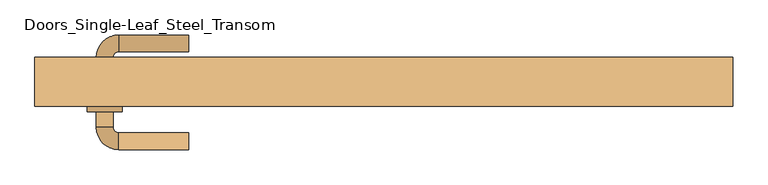
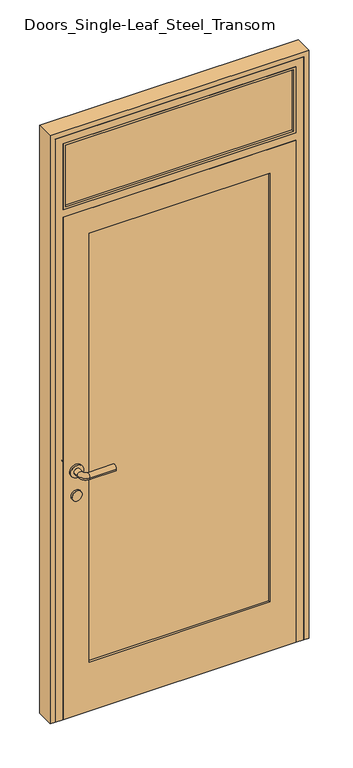
"""IFC4 building model written with IfcOpenShell, lengths in millimetres: door geometry, Doors_Single-Leaf_Steel_Transom."""

import ifcopenshell
import ifcopenshell.guid

model = None  # the IFC model being written
_history = None  # IfcOwnerHistory: only IFC2X3 demands one
_inside = {}  # id of a spatial element -> (the spatial element, [elements in it])
_under = {}  # id of a project, library or spatial element -> (it, [spatial elements below it])
_declared = {}  # id of a project -> (the project, [libraries it declares])
_typed = {}  # id of a type object -> (the type object, [elements of that type])
_made_of = {}  # id of a material, layer set ... -> (it, [elements and type objects made of it])


def new_model(schema):
    """Start an empty IFC model of exactly this schema.

    Asked for "IFC4X3", IfcOpenShell would pick the latest addendum, in which some entities
    have other attributes; the version numbers below select the first issue.
    IFC2X3 requires an IfcOwnerHistory on every rooted entity: one is made here for all.
    """
    global model, _history
    if schema == "IFC4X3":
        model = ifcopenshell.file(schema_version=(4, 3, 0, 0))
    else:
        model = ifcopenshell.file(schema=schema)
    _inside.clear()
    _under.clear()
    _declared.clear()
    _typed.clear()
    _made_of.clear()
    _history = None
    if model.schema == "IFC2X3":
        org = make("IfcOrganization", Name="unknown")
        user = make(
            "IfcPersonAndOrganization",
            ThePerson=make("IfcPerson", FamilyName="unknown"),
            TheOrganization=org,
        )
        app = make(
            "IfcApplication",
            ApplicationDeveloper=org,
            Version="unknown",
            ApplicationFullName="unknown",
            ApplicationIdentifier="unknown",
        )
        _history = make(
            "IfcOwnerHistory",
            OwningUser=user,
            OwningApplication=app,
            ChangeAction="ADDED",
            CreationDate=0,
        )
    return model


def make(cls, **values):
    """One entity of the class cls with the attributes given. An attribute that is None is left unset."""
    return model.create_entity(
        cls, **{name: value for name, value in values.items() if value is not None}
    )


def rooted(cls, **values):
    """An entity with a GlobalId (a new one), such as an element, a storey or a relation."""
    return make(cls, GlobalId=ifcopenshell.guid.new(), OwnerHistory=_history, **values)


def si_unit(unit_type, name, prefix=None):
    """IfcSIUnit, for example si_unit("LENGTHUNIT", "METRE", prefix="MILLI")."""
    return make("IfcSIUnit", UnitType=unit_type, Prefix=prefix, Name=name)


def assignment(units):
    """IfcUnitAssignment: the units of a project."""
    return None if units is None else make("IfcUnitAssignment", Units=units)


def point(xyz):
    """IfcCartesianPoint."""
    return None if xyz is None else make("IfcCartesianPoint", Coordinates=xyz)


def direction(xyz):
    """IfcDirection."""
    return None if xyz is None else make("IfcDirection", DirectionRatios=xyz)


def frame(location, z_axis=None, x_axis=None):
    """IfcAxis2Placement3D, a coordinate frame: its origin and axes. An axis left out is left unset."""
    return make(
        "IfcAxis2Placement3D",
        Location=point(location),
        Axis=direction(z_axis),
        RefDirection=direction(x_axis),
    )


def frame_2d(location, x_axis=None):
    """IfcAxis2Placement2D, a coordinate frame in the plane: its origin and x axis."""
    return make(
        "IfcAxis2Placement2D", Location=point(location), RefDirection=direction(x_axis)
    )


def origin():
    """The frame at (0, 0, 0) with its axes left unset."""
    return frame((0.0, 0.0, 0.0))


def place(relative_to, where):
    """IfcLocalPlacement: puts the frame where relative to a parent placement (None: the world)."""
    return make(
        "IfcLocalPlacement", PlacementRelTo=relative_to, RelativePlacement=where
    )


def context(
    kind, dimensions, precision=None, world=None, true_north=None, identifier=None
):
    """IfcGeometricRepresentationContext, for example the 3D "Model" context."""
    return make(
        "IfcGeometricRepresentationContext",
        ContextIdentifier=identifier,
        ContextType=kind,
        CoordinateSpaceDimension=dimensions,
        Precision=precision,
        WorldCoordinateSystem=world,
        TrueNorth=true_north,
    )


def project(units=None, contexts=None):
    """IfcProject with its units and contexts."""
    return rooted(
        "IfcProject",
        Name="project",
        RepresentationContexts=contexts,
        UnitsInContext=assignment(units),
    )


def spatial(cls, under=None, at=None, **own):
    """A site, building, storey or space (cls), placed at a placement, below another one or the project."""
    s = rooted(cls, ObjectPlacement=at, **own)
    if under is not None:
        _under.setdefault(under.id(), (under, []))[1].append(s)
    return s


def polyline(points):
    """IfcPolyline through the points."""
    return make("IfcPolyline", Points=[point(p) for p in points])


def circle_curve(where, radius):
    """IfcCircle in the frame where."""
    return make("IfcCircle", Position=where, Radius=radius)


def ellipse_curve(where, semi_axis1, semi_axis2):
    """IfcEllipse in the frame where."""
    return make(
        "IfcEllipse", Position=where, SemiAxis1=semi_axis1, SemiAxis2=semi_axis2
    )


def trimmed(basis, trim1, trim2, sense, master):
    """IfcTrimmedCurve: the piece of a basis curve between two trims."""
    return make(
        "IfcTrimmedCurve",
        BasisCurve=basis,
        Trim1=trim1,
        Trim2=trim2,
        SenseAgreement=sense,
        MasterRepresentation=master,
    )


def segment(curve, same_sense, transition):
    """IfcCompositeCurveSegment."""
    return make(
        "IfcCompositeCurveSegment",
        Transition=transition,
        SameSense=same_sense,
        ParentCurve=curve,
    )


def composite_curve(segments, self_intersect=None):
    """IfcCompositeCurve: segments joined end to end."""
    return make("IfcCompositeCurve", Segments=segments, SelfIntersect=self_intersect)


def outline(outer, holes=None, kind="AREA"):
    """IfcArbitraryClosedProfileDef: a profile drawn as a closed curve; with holes, ...WithVoids."""
    if holes is None:
        return make("IfcArbitraryClosedProfileDef", ProfileType=kind, OuterCurve=outer)
    return make(
        "IfcArbitraryProfileDefWithVoids",
        ProfileType=kind,
        OuterCurve=outer,
        InnerCurves=holes,
    )


def extrude(swept, where, along, depth):
    """IfcExtrudedAreaSolid: the profile swept, set in the frame where, extruded along a direction by depth."""
    return make(
        "IfcExtrudedAreaSolid",
        SweptArea=swept,
        Position=where,
        ExtrudedDirection=direction(along),
        Depth=depth,
    )


def faces_of(points, faces, orient=None, outer=None):
    """IfcFace entities. A face is a list of loops; a loop is a list of indices into points, from 0.

    orient and outer hold one flag for each loop. By default every Orientation is true, the
    first loop of a face is its IfcFaceOuterBound and the others are IfcFaceBound.
    """
    made = []
    for i, loops in enumerate(faces):
        bounds = []
        for j, loop in enumerate(loops):
            is_outer = j == 0 if outer is None else outer[i][j]
            bounds.append(
                make(
                    "IfcFaceOuterBound" if is_outer else "IfcFaceBound",
                    Bound=make("IfcPolyLoop", Polygon=[points[k] for k in loop]),
                    Orientation=True if orient is None else orient[i][j],
                )
            )
        made.append(make("IfcFace", Bounds=bounds))
    return made


def faceted_brep(points, faces, orient=None, outer=None, voids=None):
    """IfcFacetedBrep: a solid bounded by flat faces; with voids (closed shells), ...WithVoids."""
    shared = [point(p) for p in points]
    hull = make("IfcClosedShell", CfsFaces=faces_of(shared, faces, orient, outer))
    if voids is None:
        return make("IfcFacetedBrep", Outer=hull)
    return make(
        "IfcFacetedBrepWithVoids",
        Outer=hull,
        Voids=[
            make(cls, CfsFaces=faces_of(shared, fs, o, b)) for cls, fs, o, b in voids
        ],
    )


def shape(context_of_items, identifier, shape_type, items):
    """IfcShapeRepresentation: the items that make up one representation, for example the "Body"."""
    return make(
        "IfcShapeRepresentation",
        ContextOfItems=context_of_items,
        RepresentationIdentifier=identifier,
        RepresentationType=shape_type,
        Items=items,
    )


def source(mapping_origin, context_of_items, identifier, shape_type, items):
    """IfcRepresentationMap: a shape defined once, which mapped items show again and again."""
    return make(
        "IfcRepresentationMap",
        MappingOrigin=mapping_origin,
        MappedRepresentation=shape(context_of_items, identifier, shape_type, items),
    )


def transform(
    local_origin,
    x_axis=None,
    y_axis=None,
    z_axis=None,
    scale=None,
    scale2=None,
    scale3=None,
    uniform=True,
):
    """IfcCartesianTransformationOperator3D, or its non-uniform kind. x_axis, y_axis, z_axis: its Axis1, 2, 3."""
    if uniform:
        return make(
            "IfcCartesianTransformationOperator3D",
            Axis1=direction(x_axis),
            Axis2=direction(y_axis),
            LocalOrigin=point(local_origin),
            Scale=scale,
            Axis3=direction(z_axis),
        )
    return make(
        "IfcCartesianTransformationOperator3DnonUniform",
        Axis1=direction(x_axis),
        Axis2=direction(y_axis),
        LocalOrigin=point(local_origin),
        Scale=scale,
        Axis3=direction(z_axis),
        Scale2=scale2,
        Scale3=scale3,
    )


def mapped(mapping_source, mapping_target):
    """IfcMappedItem: shows the shape of a source again, moved by a transform."""
    return make(
        "IfcMappedItem", MappingSource=mapping_source, MappingTarget=mapping_target
    )


def made_of(thing, what):
    """Note that an element or type object is made of a material, layer set ...; save() writes the relation."""
    if what is not None:
        _made_of.setdefault(what.id(), (what, []))[1].append(thing)
    return thing


def element(
    cls,
    number,
    at=None,
    inside=None,
    cuts=None,
    type_object=None,
    material=None,
    context=None,
    identifier="Body",
    shape_type=None,
    held_by="IfcProductDefinitionShape",
    body=None,
    shapes=None,
    **own,
):
    """One element of the class cls, such as IfcWall. Its Tag is "e" and its number.

    at: its placement. inside: the storey or other place that contains it. cuts: it is an
    opening in that element (IfcRelVoidsElement). A single representation is given by context,
    identifier, shape_type and body (its items); several are given by shapes. held_by: the class
    of the entity that holds the representations. save() writes the other relations.
    """
    e = rooted(cls, Tag="e%d" % number, ObjectPlacement=at, **own)
    if body is not None:
        shapes = [shape(context, identifier, shape_type, body)]
    if shapes is not None:
        e.Representation = make(held_by, Representations=shapes)
    if inside is not None:
        _inside.setdefault(inside.id(), (inside, []))[1].append(e)
    if cuts is not None:
        rooted(
            "IfcRelVoidsElement", RelatingBuildingElement=cuts, RelatedOpeningElement=e
        )
    if type_object is not None:
        _typed.setdefault(type_object.id(), (type_object, []))[1].append(e)
    return made_of(e, material)


def aggregate(whole, parts):
    """IfcRelAggregates: a whole, such as a stair, and the parts it consists of."""
    return rooted("IfcRelAggregates", RelatingObject=whole, RelatedObjects=parts)


def save(model, path):
    """Write the relations noted so far, then the file.

    IfcRelAggregates (storeys below a building ...), IfcRelContainedInSpatialStructure (elements
    in a storey), IfcRelDefinesByType, IfcRelAssociatesMaterial and IfcRelDeclares: one each for
    every whole, place, type object, material and project.
    """
    for whole, parts in _under.values():
        aggregate(whole, parts)
    for where, things in _inside.values():
        rooted(
            "IfcRelContainedInSpatialStructure",
            RelatedElements=things,
            RelatingStructure=where,
        )
    for kind, things in _typed.values():
        rooted("IfcRelDefinesByType", RelatedObjects=things, RelatingType=kind)
    for what, things in _made_of.values():
        rooted("IfcRelAssociatesMaterial", RelatedObjects=things, RelatingMaterial=what)
    for by, libraries in _declared.values():
        rooted("IfcRelDeclares", RelatingContext=by, RelatedDefinitions=libraries)
    model.write(path)


def plane_surface(at):
    """IfcPlane: the flat surface through the origin of the frame at, square to its z axis."""
    return make("IfcPlane", Position=at)


def cylinder_surface(at, radius):
    """IfcCylindricalSurface: all points at the distance radius from the z axis of the frame at."""
    return make("IfcCylindricalSurface", Position=at, Radius=radius)


def revolved_surface(curve, axis_point, axis_direction):
    """IfcSurfaceOfRevolution: the curve turned about the line through axis_point along axis_direction."""
    return make(
        "IfcSurfaceOfRevolution",
        SweptCurve=make("IfcArbitraryOpenProfileDef", ProfileType="CURVE", Curve=curve),
        AxisPosition=make("IfcAxis1Placement", Location=point(axis_point), Axis=direction(axis_direction)),
    )


def advanced_brep(points, edges, surfaces, faces):
    """IfcAdvancedBrep: a solid bounded by faces that lie on surfaces and meet in shared edges.

    An edge is (start, end): straight between two places in points (the first is 0);
    or (start, end, curve); or (start, end, curve, False) where it runs against its curve.
    A face is (place in surfaces, loops), or (place, loops, False) where it looks against
    its surface's normal. A loop lists edges by number (the first is 1), with a minus sign
    where the edge is run from its end to its start. The first loop is the outer one.
    """
    corners = [point(p) for p in points]
    vertices = [make("IfcVertexPoint", VertexGeometry=c) for c in corners]
    made = []
    for start, end, *more in edges:
        made.append(
            make(
                "IfcEdgeCurve",
                EdgeStart=vertices[start],
                EdgeEnd=vertices[end],
                EdgeGeometry=more[0] if more else make("IfcPolyline", Points=[corners[start], corners[end]]),
                SameSense=more[1] if len(more) > 1 else True,
            )
        )
    hull = []
    for where, loops, *sense in faces:
        bounds = []
        for j, loop in enumerate(loops):
            ring = [make("IfcOrientedEdge", EdgeElement=made[abs(k) - 1], Orientation=k > 0) for k in loop]
            bounds.append(
                make(
                    "IfcFaceOuterBound" if j == 0 else "IfcFaceBound",
                    Bound=make("IfcEdgeLoop", EdgeList=ring),
                    Orientation=True,
                )
            )
        hull.append(make("IfcAdvancedFace", Bounds=bounds, FaceSurface=surfaces[where], SameSense=sense[0] if sense else True))
    return make("IfcAdvancedBrep", Outer=make("IfcClosedShell", CfsFaces=hull))


def doors_single_leaf_steel_transom_667197a2(model_context):
    return source(origin(), model_context, "Body", "SolidModel", [
        extrude(outline(polyline([(2080.0, -450.0), (2080.0, 450.0), (2350.0, 450.0), (2350.0, -450.0), (2080.0, -450.0)]), holes=[polyline([(2090.0, 440.0), (2090.0, -440.0), (2340.0, -440.0), (2340.0, 440.0), (2090.0, 440.0)])]), frame((0.0, -50.0, 0.0), z_axis=(0.0, 1.0, 0.0), x_axis=(0.0, 0.0, 1.0)), (0.0, 0.0, 1.0), 40.0),
        extrude(outline(polyline([(-440.0, -42.0), (-440.0, -18.0), (440.0, -18.0), (440.0, -42.0), (-440.0, -42.0)])), frame((0.0, 0.0, 2090.0), z_axis=(0.0, 0.0, 1.0), x_axis=(1.0, 0.0, 0.0)), (0.0, 0.0, 1.0), 250.0),
        extrude(outline(composite_curve([segment(trimmed(circle_curve(frame_2d((900.0, -400.0)), 20.0), [point((900.0, -420.0))], [point((900.0, -380.0))], False, "CARTESIAN"), True, "CONTINUOUS"), segment(trimmed(circle_curve(frame_2d((900.0, -400.0)), 20.0), [point((900.0, -380.0))], [point((900.0, -420.0))], False, "CARTESIAN"), True, "CONTINUOUS")], self_intersect=False)), frame((0.0, -58.0, 0.0), z_axis=(0.0, 1.0, 0.0), x_axis=(0.0, 0.0, 1.0)), (0.0, 0.0, 1.0), 8.0),
        extrude(outline(composite_curve([segment(trimmed(circle_curve(frame_2d((900.0, -400.0)), 20.0), [point((900.0, -380.0))], [point((900.0, -420.0))], False, "CARTESIAN"), True, "CONTINUOUS"), segment(trimmed(circle_curve(frame_2d((900.0, -400.0)), 20.0), [point((900.0, -420.0))], [point((900.0, -380.0))], False, "CARTESIAN"), True, "CONTINUOUS")], self_intersect=False)), frame((0.0, -10.0, 0.0), z_axis=(0.0, 1.0, 0.0), x_axis=(0.0, 0.0, 1.0)), (0.0, 0.0, 1.0), 8.0),
        advanced_brep(
        [(-280.0, -112.0, 1000.0), (-280.0, -88.0, 1000.0), (-380.0, -88.0, 1000.0), (-380.0, -112.0, 1000.0), (-388.0, -80.0, 1000.0), (-412.0, -80.0, 1000.0), (-388.0, -58.0, 1000.0), (-412.0, -58.0, 1000.0), (-425.0, -58.0, 1000.0), (-375.0, -58.0, 1000.0), (-425.0, -50.0, 1000.0), (-375.0, -50.0, 1000.0)],
        [
            (0, 1, circle_curve(frame((-280.0, -100.0, 1000.0), z_axis=(1.0, 0.0, 0.0), x_axis=(0.0, 1.0, 0.0)), 12.0)),
            (1, 0, circle_curve(frame((-280.0, -100.0, 1000.0), z_axis=(1.0, 0.0, 0.0), x_axis=(0.0, 1.0, 0.0)), 12.0)),
            (1, 2),
            (2, 3, circle_curve(frame((-380.0, -100.0, 1000.0), z_axis=(1.0, 0.0, 0.0), x_axis=(0.0, 1.0, 0.0)), 12.0)),
            (3, 0),
            (3, 2, circle_curve(frame((-380.0, -100.0, 1000.0), z_axis=(1.0, 0.0, 0.0), x_axis=(0.0, 1.0, 0.0)), 12.0)),
            (2, 4, circle_curve(frame((-380.0, -80.0, 1000.0), z_axis=(0.0, 0.0, -1.0), x_axis=(0.0, -1.0, 0.0)), 8.0)),
            (4, 5, circle_curve(frame((-400.0, -80.0, 1000.0), z_axis=(0.0, -1.0, 0.0), x_axis=(1.0, 0.0, 0.0)), 12.0)),
            (5, 3, circle_curve(frame((-380.0, -80.0, 1000.0), z_axis=(0.0, 0.0, 1.0), x_axis=(0.0, -1.0, 0.0)), 32.0)),
            (5, 4, circle_curve(frame((-400.0, -80.0, 1000.0), z_axis=(0.0, -1.0, 0.0), x_axis=(1.0, 0.0, 0.0)), 12.0)),
            (4, 6),
            (6, 7, circle_curve(frame((-400.0, -58.0, 1000.0), z_axis=(0.0, -1.0, 0.0), x_axis=(1.0, 0.0, 0.0)), 12.0)),
            (7, 5),
            (7, 6, circle_curve(frame((-400.0, -58.0, 1000.0), z_axis=(0.0, -1.0, 0.0), x_axis=(1.0, 0.0, 0.0)), 12.0)),
            (8, 9, circle_curve(frame((-400.0, -58.0, 1000.0), z_axis=(0.0, -1.0, 0.0), x_axis=(1.0, 0.0, 0.0)), 25.0)),
            (9, 8, circle_curve(frame((-400.0, -58.0, 1000.0), z_axis=(0.0, -1.0, 0.0), x_axis=(1.0, 0.0, 0.0)), 25.0)),
            (8, 10),
            (10, 11, circle_curve(frame((-400.0, -50.0, 1000.0), z_axis=(0.0, -1.0, 0.0), x_axis=(1.0, 0.0, 0.0)), 25.0)),
            (11, 9),
            (11, 10, circle_curve(frame((-400.0, -50.0, 1000.0), z_axis=(0.0, -1.0, 0.0), x_axis=(1.0, 0.0, 0.0)), 25.0)),
        ],
        [
            plane_surface(frame((-280.0, -100.0, 1000.0), z_axis=(1.0, 0.0, 0.0), x_axis=(0.0, 0.0, 1.0))),
            cylinder_surface(frame((-280.0, -100.0, 1000.0), z_axis=(1.0, 0.0, 0.0), x_axis=(0.0, 1.0, 0.0)), 12.0),
            revolved_surface(trimmed(ellipse_curve(frame((-380.0, -100.0, 1000.0), z_axis=(-1.0, 0.0, 0.0), x_axis=(0.0, 1.0, 0.0)), 12.0, 12.0), [point((-380.0, -112.0, 1000.0))], [point((-380.0, -88.0, 1000.0))], True, "CARTESIAN"), (-380.0, -80.0, 1000.0), (0.0, 0.0, 1.0)),
            revolved_surface(trimmed(ellipse_curve(frame((-380.0, -100.0, 1000.0), z_axis=(-1.0, 0.0, 0.0), x_axis=(0.0, 1.0, 0.0)), 12.0, 12.0), [point((-380.0, -88.0, 1000.0))], [point((-380.0, -112.0, 1000.0))], True, "CARTESIAN"), (-380.0, -80.0, 1000.0), (0.0, 0.0, 1.0)),
            cylinder_surface(frame((-400.0, -80.0, 1000.0), z_axis=(0.0, -1.0, 0.0), x_axis=(1.0, 0.0, 0.0)), 12.0),
            plane_surface(frame((-375.0, -58.0, 1000.0), z_axis=(0.0, -1.0, 0.0), x_axis=(0.0, 0.0, -1.0))),
            cylinder_surface(frame((-400.0, -58.0, 1000.0), z_axis=(0.0, 1.0, 0.0), x_axis=(1.0, 0.0, 0.0)), 25.0),
            plane_surface(frame((-330.0, -50.0, 1200.0), z_axis=(0.0, 1.0, 0.0), x_axis=(0.0, 0.0, -1.0))),
        ],
        [
            (0, [[1, 2]]),
            (1, [[3, 4, 5, -2]]),
            (1, [[-5, 6, -3, -1]]),
            (2, [[7, 8, 9, -4]]),
            (3, [[-9, 10, -7, -6]]),
            (4, [[11, 12, 13, -8]]),
            (4, [[-13, 14, -11, -10]]),
            (5, [[15, 16], [-14, -12]]),
            (6, [[17, 18, 19, -15]]),
            (6, [[-19, 20, -17, -16]]),
            (7, [[-20, -18]]),
        ],
    ),
        advanced_brep(
        [(-412.0, 20.0, 1000.0), (-412.0, -2.0, 1000.0), (-388.0, -2.0, 1000.0), (-388.0, 20.0, 1000.0), (-380.0, 28.0, 1000.0), (-380.0, 52.0, 1000.0), (-280.0, 52.0, 1000.0), (-280.0, 28.0, 1000.0), (-425.0, -2.0, 1000.0), (-375.0, -2.0, 1000.0), (-375.0, -10.0, 1000.0), (-425.0, -10.0, 1000.0)],
        [
            (0, 1),
            (1, 2, circle_curve(frame((-400.0, -2.0, 1000.0), z_axis=(0.0, 1.0, 0.0), x_axis=(1.0, 0.0, 0.0)), 12.0)),
            (2, 3),
            (3, 0, circle_curve(frame((-400.0, 20.0, 1000.0), z_axis=(0.0, -1.0, 0.0), x_axis=(1.0, 0.0, 0.0)), 12.0)),
            (2, 1, circle_curve(frame((-400.0, -2.0, 1000.0), z_axis=(0.0, 1.0, 0.0), x_axis=(1.0, 0.0, 0.0)), 12.0)),
            (0, 3, circle_curve(frame((-400.0, 20.0, 1000.0), z_axis=(0.0, -1.0, 0.0), x_axis=(1.0, 0.0, 0.0)), 12.0)),
            (3, 4, circle_curve(frame((-380.0, 20.0, 1000.0), z_axis=(0.0, 0.0, -1.0), x_axis=(-1.0, 0.0, 0.0)), 8.0)),
            (4, 5, circle_curve(frame((-380.0, 40.0, 1000.0), z_axis=(-1.0, 0.0, 0.0), x_axis=(0.0, -1.0, 0.0)), 12.0)),
            (5, 0, circle_curve(frame((-380.0, 20.0, 1000.0), z_axis=(0.0, 0.0, 1.0), x_axis=(-1.0, 0.0, 0.0)), 32.0)),
            (5, 4, circle_curve(frame((-380.0, 40.0, 1000.0), z_axis=(-1.0, 0.0, 0.0), x_axis=(0.0, -1.0, 0.0)), 12.0)),
            (6, 7, circle_curve(frame((-280.0, 40.0, 1000.0), z_axis=(1.0, 0.0, 0.0), x_axis=(0.0, -1.0, 0.0)), 12.0)),
            (7, 6, circle_curve(frame((-280.0, 40.0, 1000.0), z_axis=(1.0, 0.0, 0.0), x_axis=(0.0, -1.0, 0.0)), 12.0)),
            (4, 7),
            (6, 5),
            (8, 9, circle_curve(frame((-400.0, -2.0, 1000.0), z_axis=(0.0, 1.0, 0.0), x_axis=(1.0, 0.0, 0.0)), 25.0)),
            (9, 8, circle_curve(frame((-400.0, -2.0, 1000.0), z_axis=(0.0, 1.0, 0.0), x_axis=(1.0, 0.0, 0.0)), 25.0)),
            (9, 10),
            (10, 11, circle_curve(frame((-400.0, -10.0, 1000.0), z_axis=(0.0, 1.0, 0.0), x_axis=(1.0, 0.0, 0.0)), 25.0)),
            (11, 8),
            (11, 10, circle_curve(frame((-400.0, -10.0, 1000.0), z_axis=(0.0, 1.0, 0.0), x_axis=(1.0, 0.0, 0.0)), 25.0)),
        ],
        [
            cylinder_surface(frame((-400.0, -80.0, 1000.0), z_axis=(0.0, -1.0, 0.0), x_axis=(1.0, 0.0, 0.0)), 12.0),
            revolved_surface(trimmed(ellipse_curve(frame((-400.0, 20.0, 1000.0), z_axis=(0.0, 1.0, 0.0), x_axis=(1.0, 0.0, 0.0)), 12.0, 12.0), [point((-412.0, 20.0, 1000.0))], [point((-388.0, 20.0, 1000.0))], True, "CARTESIAN"), (-380.0, 20.0, 1000.0), (0.0, 0.0, 1.0)),
            revolved_surface(trimmed(ellipse_curve(frame((-400.0, 20.0, 1000.0), z_axis=(0.0, 1.0, 0.0), x_axis=(1.0, 0.0, 0.0)), 12.0, 12.0), [point((-388.0, 20.0, 1000.0))], [point((-412.0, 20.0, 1000.0))], True, "CARTESIAN"), (-380.0, 20.0, 1000.0), (0.0, 0.0, 1.0)),
            plane_surface(frame((-280.0, 40.0, 1000.0), z_axis=(1.0, 0.0, 0.0), x_axis=(0.0, 0.0, 1.0))),
            cylinder_surface(frame((-380.0, 40.0, 1000.0), z_axis=(-1.0, 0.0, 0.0), x_axis=(0.0, -1.0, 0.0)), 12.0),
            plane_surface(frame((-375.0, -2.0, 1000.0), z_axis=(0.0, 1.0, 0.0), x_axis=(0.0, 0.0, 1.0))),
            cylinder_surface(frame((-400.0, -58.0, 1000.0), z_axis=(0.0, 1.0, 0.0), x_axis=(1.0, 0.0, 0.0)), 25.0),
            plane_surface(frame((-490.0, -10.0, 1200.0), z_axis=(0.0, -1.0, 0.0), x_axis=(0.0, 0.0, -1.0))),
        ],
        [
            (0, [[1, 2, 3, 4]]),
            (0, [[-3, 5, -1, 6]]),
            (1, [[7, 8, 9, -4]]),
            (2, [[-9, 10, -7, -6]]),
            (3, [[11, 12]]),
            (4, [[13, -11, 14, -8]]),
            (4, [[-14, -12, -13, -10]]),
            (5, [[15, 16], [-5, -2]]),
            (6, [[17, 18, 19, -16]]),
            (6, [[-19, 20, -17, -15]]),
            (7, [[-20, -18]]),
        ],
    ),
        extrude(outline(polyline([(0.0, -450.0), (0.0, 450.0), (2050.0, 450.0), (2050.0, -450.0), (0.0, -450.0)]), holes=[polyline([(200.0, 350.0), (200.0, -350.0), (1950.0, -350.0), (1950.0, 350.0), (200.0, 350.0)])]), frame((0.0, -50.0, 0.0), z_axis=(0.0, 1.0, 0.0), x_axis=(0.0, 0.0, 1.0)), (0.0, 0.0, 1.0), 40.0),
        extrude(outline(polyline([(-350.0, -42.0), (-350.0, -18.0), (350.0, -18.0), (350.0, -42.0), (-350.0, -42.0)])), frame((0.0, 0.0, 200.0), z_axis=(0.0, 0.0, 1.0), x_axis=(1.0, 0.0, 0.0)), (0.0, 0.0, 1.0), 1750.0),
        extrude(outline(polyline([(0.0, 500.0), (2400.0, 500.0), (2400.0, -500.0), (0.0, -500.0), (0.0, -480.0), (2380.0, -480.0), (2380.0, 480.0), (0.0, 480.0), (0.0, 500.0)])), frame((0.0, -50.0, 0.0), z_axis=(0.0, 1.0, 0.0), x_axis=(0.0, 0.0, 1.0)), (0.0, 0.0, 1.0), 70.0),
        faceted_brep([(-480.0, 20.0, 0.0), (-440.0, 20.0, 0.0), (-440.0, -10.0, 0.0), (-450.0, -10.0, 0.0), (-450.0, -50.0, 0.0), (-480.0, -50.0, 0.0), (-480.0, -50.0, 2380.0), (-480.0, 20.0, 2380.0), (-450.0, -50.0, 2050.0), (450.0, -50.0, 2050.0), (450.0, -50.0, 0.0), (480.0, -50.0, 0.0), (480.0, -50.0, 2380.0), (-450.0, -50.0, 2080.0), (-450.0, -50.0, 2350.0), (450.0, -50.0, 2350.0), (450.0, -50.0, 2080.0), (-450.0, -10.0, 2050.0), (-440.0, -10.0, 2040.0), (440.0, -10.0, 2040.0), (440.0, -10.0, 0.0), (450.0, -10.0, 0.0), (450.0, -10.0, 2050.0), (-440.0, 20.0, 2040.0), (480.0, 20.0, 2380.0), (480.0, 20.0, 0.0), (440.0, 20.0, 0.0), (440.0, 20.0, 2040.0), (440.0, 20.0, 2080.0), (440.0, 20.0, 2340.0), (-440.0, 20.0, 2340.0), (-440.0, 20.0, 2080.0), (450.0, -10.0, 2080.0), (440.0, -10.0, 2080.0), (-440.0, -10.0, 2080.0), (-450.0, -10.0, 2080.0), (-450.0, -10.0, 2350.0), (-440.0, -10.0, 2340.0), (440.0, -10.0, 2340.0), (450.0, -10.0, 2350.0)], [[[0, 1, 2, 3, 4, 5]], [[5, 6, 7, 0]], [[4, 8, 9, 10, 11, 12, 6, 5], [13, 14, 15, 16]], [[3, 17, 8, 4]], [[2, 18, 19, 20, 21, 22, 17, 3]], [[1, 23, 18, 2]], [[7, 24, 25, 26, 27, 23, 1, 0], [28, 29, 30, 31]], [[16, 32, 33, 28, 31, 34, 35, 13]], [[8, 17, 22, 9]], [[18, 23, 27, 19]], [[10, 21, 20, 26, 25, 11]], [[11, 25, 24, 12]], [[9, 22, 21, 10]], [[19, 27, 26, 20]], [[13, 35, 36, 14]], [[35, 34, 37, 38, 33, 32, 39, 36]], [[34, 31, 30, 37]], [[6, 12, 24, 7]], [[14, 36, 39, 15]], [[37, 30, 29, 38]], [[15, 39, 32, 16]], [[38, 29, 28, 33]]]),
    ])


if __name__ == "__main__":
    model = new_model("IFC4")
    model_context = context("Model", 3, world=origin())
    ifc_project = project(units=[si_unit("LENGTHUNIT", "METRE", prefix="MILLI")], contexts=[model_context])
    site = spatial("IfcSite", under=ifc_project)
    building = spatial("IfcBuilding", under=site)
    placement = place(None, origin())
    doors_single_leaf_steel_transom_shape = doors_single_leaf_steel_transom_667197a2(model_context)
    element("IfcDoor", 1, ObjectType="Doors_Single-Leaf_Steel_Transom", at=placement, inside=building, context=model_context, shape_type="MappedRepresentation", body=[
        mapped(doors_single_leaf_steel_transom_shape, transform((0.0, 0.0, 0.0), x_axis=(1.0, 0.0, 0.0), y_axis=(0.0, 1.0, 0.0), z_axis=(0.0, 0.0, 1.0))),
    ])
    save(model, "model.ifc")
